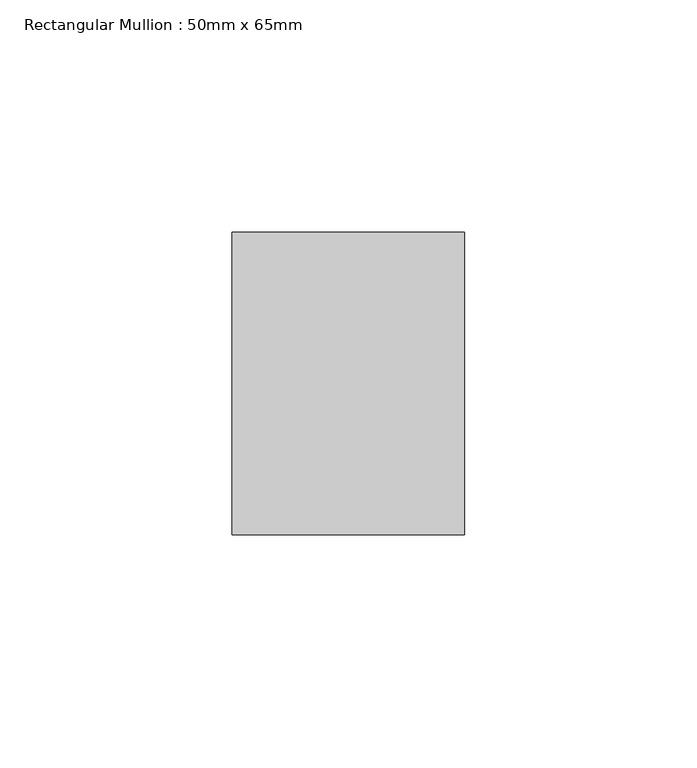
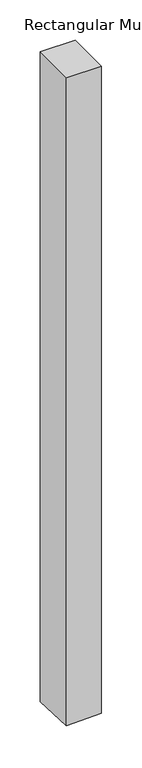
"""IFC4 building model written with IfcOpenShell, lengths in millimetres: member geometry, Rectangular Mullion : 50mm x 65mm."""

from ifc_helpers import new_model, si_unit, origin, place, context, project, spatial, faceted_brep, source, transform, mapped, element, save


def rectangular_mullion_50mm_x_65mm_73c49f21(model_context):
    return source(origin(), model_context, "Body", "Brep", [
        faceted_brep([(25.0, 32.5, 0.0), (-25.0, 32.5, 0.0), (-25.0, -32.5, 0.0), (25.0, -32.5, 0.0), (25.0, 32.5, -983.1889591), (-25.0, 32.5, -985.0077351), (-25.0, -32.5, -982.3386675), (25.0, -32.5, -980.5198915)], [[[0, 1, 2, 3]], [[1, 0, 4, 5]], [[2, 1, 5, 6]], [[3, 2, 6, 7]], [[0, 3, 7, 4]], [[4, 7, 6, 5]]]),
    ])


if __name__ == "__main__":
    model = new_model("IFC4")
    model_context = context("Model", 3, world=origin())
    ifc_project = project(units=[si_unit("LENGTHUNIT", "METRE", prefix="MILLI")], contexts=[model_context])
    site = spatial("IfcSite", under=ifc_project)
    building = spatial("IfcBuilding", under=site)
    placement = place(None, origin())
    rectangular_mullion_50mm_x_65mm_shape = rectangular_mullion_50mm_x_65mm_73c49f21(model_context)
    element("IfcMember", 1, ObjectType="Rectangular Mullion : 50mm x 65mm", at=placement, inside=building, context=model_context, shape_type="MappedRepresentation", body=[
        mapped(rectangular_mullion_50mm_x_65mm_shape, transform((0.0, 0.0, 0.0), x_axis=(1.0, 0.0, 0.0), y_axis=(0.0, 1.0, 0.0), z_axis=(0.0, 0.0, 1.0))),
    ])
    save(model, "model.ifc")
